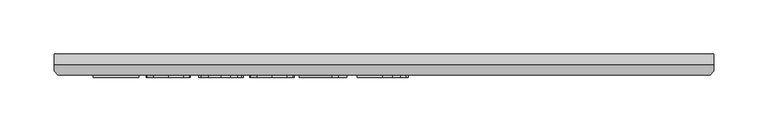
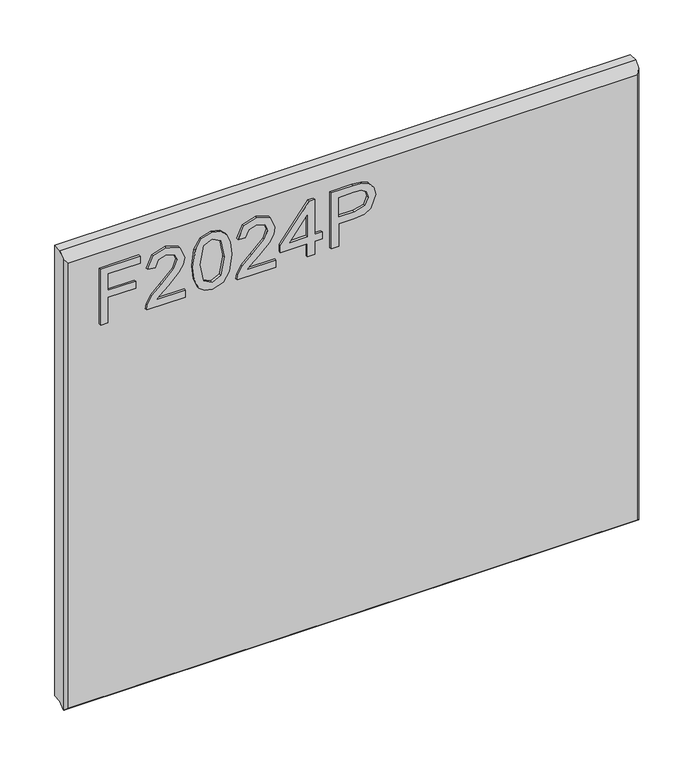
"""IFC4 building model written with IfcOpenShell, lengths in millimetres: furniture geometry."""

from ifc_helpers import new_model, si_unit, frame, origin, place, context, project, spatial, polyline, outline, extrude, faceted_brep, source, transform, mapped, element, save


def furniture_cef2f1bc(model_context):
    return source(origin(), model_context, "Body", "SolidModel", [
        extrude(outline(polyline([(1524.0992188, -249.9821872), (1524.0992188, -242.1668026), (1552.429988, -242.1668026), (1552.429988, -212.8591103), (1560.2453726, -212.8591103), (1560.2453726, -242.1668026), (1578.8069111, -242.1668026), (1578.8069111, -207.9744949), (1586.6222957, -207.9744949), (1586.6222957, -249.9821872), (1524.0992188, -249.9821872)])), frame((0.0, -21.9273437, 0.0), z_axis=(0.0, 1.0, 0.0), x_axis=(0.0, 0.0, 1.0)), (0.0, 0.0, 1.0), 2.38125),
        extrude(outline(polyline([(1531.9146034, -160.1052641), (1531.9146034, -190.8020189), (1535.8909856, -187.2759372), (1543.4087139, -178.285192), (1554.1167067, -167.0887377), (1561.7794471, -162.4712497), (1569.1903245, -161.0821872), (1581.6155649, -166.23393), (1586.6222957, -180.2237737), (1582.1192909, -194.1678242), (1569.0376803, -200.1591103), (1568.0607572, -192.3437257), (1575.9524639, -189.0542425), (1578.8069111, -180.3916824), (1575.883774, -172.080204), (1568.7171274, -168.8975718), (1559.863762, -172.2710093), (1546.8432091, -185.7647593), (1537.783774, -195.5492545), (1529.4875601, -200.2964901), (1524.0992188, -201.1360334), (1524.0992188, -160.1052641), (1531.9146034, -160.1052641)])), frame((0.0, -21.9273437, 0.0), z_axis=(0.0, 1.0, 0.0), x_axis=(0.0, 0.0, 1.0)), (0.0, 0.0, 1.0), 2.38125),
        extrude(outline(polyline([(1554.8570313, -152.2898795), (1539.6498498, -150.7329084), (1529.0754207, -146.0619949), (1524.6105769, -139.895168), (1523.1222957, -131.7744949), (1526.5491587, -120.3338098), (1536.9442308, -113.5335093), (1554.8570313, -111.2591103), (1569.5490385, -112.6787016), (1578.7992788, -116.3421632), (1584.6073918, -122.6463699), (1586.6222957, -131.7744949), (1583.2183293, -143.1693867), (1572.8461538, -149.9925838), (1554.8570313, -152.2898795)]), holes=[polyline([(1554.8722957, -144.4744949), (1574.6244591, -140.688918), (1578.8069111, -131.8660814), (1574.0596755, -122.615841), (1554.8722957, -119.0744949), (1535.4788462, -122.7379564), (1530.9376803, -131.7744949), (1535.4635817, -140.8110334), (1554.8722957, -144.4744949)])]), frame((0.0, -21.9273438, 0.0), z_axis=(0.0, 1.0, 0.0), x_axis=(0.0, 0.0, 1.0)), (0.0, 0.0, 1.0), 2.38125),
        extrude(outline(polyline([(1531.9146034, -64.3668026), (1531.9146034, -95.0635574), (1535.8909856, -91.5374757), (1543.4087139, -82.5467305), (1554.1167067, -71.3502761), (1561.7794471, -66.7327882), (1569.1903245, -65.3437257), (1581.6155649, -70.4954684), (1586.6222957, -84.4853122), (1582.1192909, -98.4293627), (1569.0376803, -104.4206487), (1568.0607572, -96.6052641), (1575.9524639, -93.3157809), (1578.8069111, -84.6532209), (1575.883774, -76.3417425), (1568.7171274, -73.1591103), (1559.863762, -76.5325478), (1546.8432091, -90.0262978), (1537.783774, -99.810793), (1529.4875601, -104.5580285), (1524.0992188, -105.3975718), (1524.0992188, -64.3668026), (1531.9146034, -64.3668026)])), frame((0.0, -21.9273437, 0.0), z_axis=(0.0, 1.0, 0.0), x_axis=(0.0, 0.0, 1.0)), (0.0, 0.0, 1.0), 2.38125),
        extrude(outline(polyline([(1524.0992188, -31.151418), (1524.0992188, -23.3360334), (1538.7530649, -23.3360334), (1538.7530649, -15.5206487), (1546.5684495, -15.5206487), (1546.5684495, -23.3360334), (1585.6453726, -23.3360334), (1585.6453726, -29.1975718), (1546.5684495, -59.4821872), (1538.7530649, -59.4821872), (1538.7530649, -31.151418), (1524.0992188, -31.151418)]), holes=[polyline([(1546.5684495, -31.151418), (1546.5684495, -49.8656007), (1570.7167668, -31.151418), (1546.5684495, -31.151418)])]), frame((0.0, -21.9273438, 0.0), z_axis=(0.0, 1.0, 0.0), x_axis=(0.0, 0.0, 1.0)), (0.0, 0.0, 1.0), 2.38125),
        extrude(outline(polyline([(1524.0992188, -5.751418), (1524.0992188, 2.0639666), (1549.4992188, 2.0639666), (1549.4992188, 17.9542311), (1550.880649, 29.0571908), (1555.0249399, 36.1112623), (1568.5339543, 41.1408897), (1577.0591346, 39.2786301), (1583.1038462, 34.3558537), (1586.0269832, 26.7618032), (1586.6222957, 17.4199763), (1586.6222957, -5.751418), (1524.0992188, -5.751418)]), holes=[polyline([(1557.3146034, 2.0639666), (1578.8069111, 2.0639666), (1578.8069111, 18.2289907), (1578.2726563, 26.0443753), (1574.7313101, 31.3182335), (1568.2591947, 33.3255051), (1560.1843149, 29.9215388), (1557.3146034, 18.4121638), (1557.3146034, 2.0639666)])]), frame((0.0, -21.9273438, 0.0), z_axis=(0.0, 1.0, 0.0), x_axis=(0.0, 0.0, 1.0)), (0.0, 0.0, 1.0), 2.38125),
        faceted_brep([(323.5377049, 0.0, 1612.9992187), (-286.0622951, 0.0, 1612.9992187), (-286.0622951, -10.0314449, 1612.9992187), (323.5377049, -10.0314449, 1612.9992187), (-286.0622951, 0.0, 1108.471875), (323.5377049, 0.0, 1108.471875), (323.5377049, -10.0314449, 1108.471875), (-286.0622951, -10.0314449, 1108.471875), (-286.0622951, -15.7726273, 1102.7306927), (-286.0622951, -15.7726273, 1607.2580364), (-282.8959807, -19.5460937, 1105.296875), (320.3713906, -19.5460937, 1105.296875), (320.3713906, -19.5460937, 1603.4845699), (-282.8959807, -19.5460937, 1603.4845699), (323.5377049, -15.7726273, 1607.2580364), (323.5377049, -15.7726273, 1102.7306927), (-285.5514364, -16.3814449, 1102.121875), (323.0268462, -16.3814449, 1102.121875)], [[[0, 1, 2, 3]], [[4, 5, 6, 7]], [[1, 4, 7, 8, 9, 2]], [[10, 11, 12, 13]], [[5, 0, 3, 14, 15, 6]], [[1, 0, 5, 4]], [[11, 10, 16, 17]], [[7, 6, 15, 17, 16, 8]], [[3, 2, 9, 13, 12, 14]], [[9, 8, 16, 10, 13]], [[12, 11, 17, 15, 14]]]),
    ])


if __name__ == "__main__":
    model = new_model("IFC4")
    model_context = context("Model", 3, world=origin())
    ifc_project = project(units=[si_unit("LENGTHUNIT", "METRE", prefix="MILLI")], contexts=[model_context])
    site = spatial("IfcSite", under=ifc_project)
    building = spatial("IfcBuilding", under=site)
    placement = place(None, origin())
    furniture_shape = furniture_cef2f1bc(model_context)
    element("IfcFurniture", 1, at=placement, inside=building, context=model_context, shape_type="MappedRepresentation", body=[
        mapped(furniture_shape, transform((0.0, 0.0, 0.0), x_axis=(1.0, 0.0, 0.0), y_axis=(0.0, 1.0, 0.0), z_axis=(0.0, 0.0, 1.0))),
    ])
    save(model, "model.ifc")
